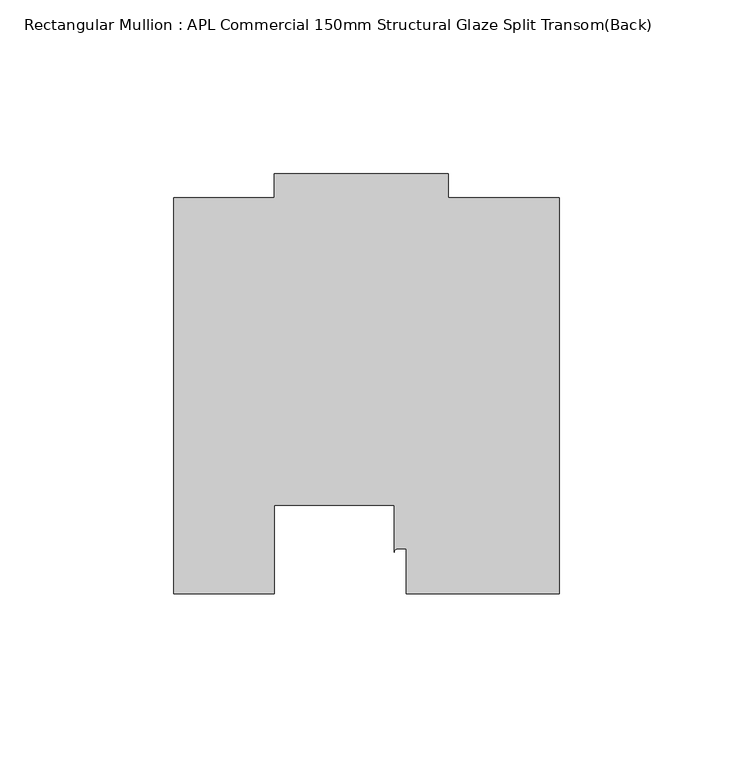
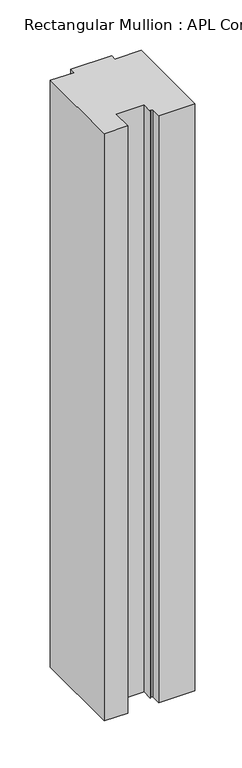
"""IFC4 building model written with IfcOpenShell, lengths in millimetres: member geometry, Rectangular Mullion : APL Commercial 150mm Structural Glaze Split Transom(Back)."""

from ifc_helpers import new_model, si_unit, point, frame, frame_2d, origin, place, context, project, spatial, polyline, circle_curve, trimmed, segment, composite_curve, outline, extrude, source, transform, mapped, element, save


def rectangular_mullion_apl_commercial_150mm_structural_glaze_22230c3f(model_context):
    return source(origin(), model_context, "Body", "SweptSolid", [
        extrude(outline(composite_curve([segment(polyline([(54.0000029, 15.0004617), (10.0000029, 15.0004617), (10.0000029, 28.0002131), (7.5000029, 28.0002131)]), True, "CONTINUOUS"), segment(trimmed(circle_curve(frame_2d((7.5000029, 27.0002131)), 1.0), [point((7.5000029, 28.0002131))], [point((6.5000029, 27.0002131))], True, "CARTESIAN"), True, "CONTINUOUS"), segment(polyline([(6.5000029, 27.0002131), (6.5000029, 40.499932), (-28.0000482, 40.499932), (-28.0000482, 15.0001793), (-57.0000004, 15.0001793), (-57.0000004, 129.0002765), (-27.9971154, 129.0002765), (-27.9971154, 136.0003326), (22.0028846, 136.0003326), (22.0028846, 129.0003326), (54.0000029, 129.0003326), (54.0000029, 15.0004617)]), True, "CONTINUOUS")], self_intersect=False)), frame((0.0, 0.0, -760.1422625), z_axis=(0.0, 0.0, 1.0), x_axis=(1.0, 0.0, 0.0)), (0.0, 0.0, 1.0), 760.1422625),
    ])


if __name__ == "__main__":
    model = new_model("IFC4")
    model_context = context("Model", 3, world=origin())
    ifc_project = project(units=[si_unit("LENGTHUNIT", "METRE", prefix="MILLI")], contexts=[model_context])
    site = spatial("IfcSite", under=ifc_project)
    building = spatial("IfcBuilding", under=site)
    placement = place(None, origin())
    rectangular_mullion_apl_commercial_150mm_structural_glaze_shape = rectangular_mullion_apl_commercial_150mm_structural_glaze_22230c3f(model_context)
    element("IfcMember", 1, ObjectType="Rectangular Mullion : APL Commercial 150mm Structural Glaze Split Transom(Back)", at=placement, inside=building, context=model_context, shape_type="MappedRepresentation", body=[
        mapped(rectangular_mullion_apl_commercial_150mm_structural_glaze_shape, transform((0.0, 0.0, 0.0), x_axis=(1.0, 0.0, 0.0), y_axis=(0.0, 1.0, 0.0), z_axis=(0.0, 0.0, 1.0))),
    ])
    save(model, "model.ifc")
